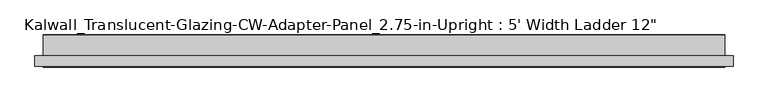
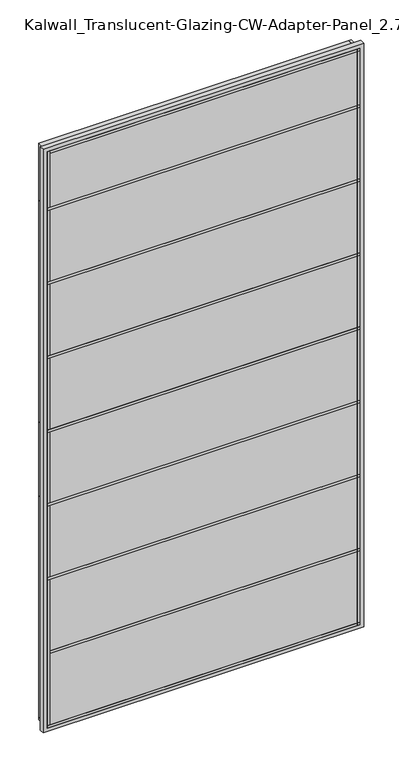
"""IFC4 building model written with IfcOpenShell, lengths in millimetres: plate geometry."""

import ifcopenshell
import ifcopenshell.guid

model = None  # the IFC model being written
_history = None  # IfcOwnerHistory: only IFC2X3 demands one
_inside = {}  # id of a spatial element -> (the spatial element, [elements in it])
_under = {}  # id of a project, library or spatial element -> (it, [spatial elements below it])
_declared = {}  # id of a project -> (the project, [libraries it declares])
_typed = {}  # id of a type object -> (the type object, [elements of that type])
_made_of = {}  # id of a material, layer set ... -> (it, [elements and type objects made of it])


def new_model(schema):
    """Start an empty IFC model of exactly this schema.

    Asked for "IFC4X3", IfcOpenShell would pick the latest addendum, in which some entities
    have other attributes; the version numbers below select the first issue.
    IFC2X3 requires an IfcOwnerHistory on every rooted entity: one is made here for all.
    """
    global model, _history
    if schema == "IFC4X3":
        model = ifcopenshell.file(schema_version=(4, 3, 0, 0))
    else:
        model = ifcopenshell.file(schema=schema)
    _inside.clear()
    _under.clear()
    _declared.clear()
    _typed.clear()
    _made_of.clear()
    _history = None
    if model.schema == "IFC2X3":
        org = make("IfcOrganization", Name="unknown")
        user = make(
            "IfcPersonAndOrganization",
            ThePerson=make("IfcPerson", FamilyName="unknown"),
            TheOrganization=org,
        )
        app = make(
            "IfcApplication",
            ApplicationDeveloper=org,
            Version="unknown",
            ApplicationFullName="unknown",
            ApplicationIdentifier="unknown",
        )
        _history = make(
            "IfcOwnerHistory",
            OwningUser=user,
            OwningApplication=app,
            ChangeAction="ADDED",
            CreationDate=0,
        )
    return model


def make(cls, **values):
    """One entity of the class cls with the attributes given. An attribute that is None is left unset."""
    return model.create_entity(
        cls, **{name: value for name, value in values.items() if value is not None}
    )


def rooted(cls, **values):
    """An entity with a GlobalId (a new one), such as an element, a storey or a relation."""
    return make(cls, GlobalId=ifcopenshell.guid.new(), OwnerHistory=_history, **values)


def si_unit(unit_type, name, prefix=None):
    """IfcSIUnit, for example si_unit("LENGTHUNIT", "METRE", prefix="MILLI")."""
    return make("IfcSIUnit", UnitType=unit_type, Prefix=prefix, Name=name)


def assignment(units):
    """IfcUnitAssignment: the units of a project."""
    return None if units is None else make("IfcUnitAssignment", Units=units)


def point(xyz):
    """IfcCartesianPoint."""
    return None if xyz is None else make("IfcCartesianPoint", Coordinates=xyz)


def direction(xyz):
    """IfcDirection."""
    return None if xyz is None else make("IfcDirection", DirectionRatios=xyz)


def frame(location, z_axis=None, x_axis=None):
    """IfcAxis2Placement3D, a coordinate frame: its origin and axes. An axis left out is left unset."""
    return make(
        "IfcAxis2Placement3D",
        Location=point(location),
        Axis=direction(z_axis),
        RefDirection=direction(x_axis),
    )


def origin():
    """The frame at (0, 0, 0) with its axes left unset."""
    return frame((0.0, 0.0, 0.0))


def origin_with_axes():
    """The frame at (0, 0, 0) with the z axis (0, 0, 1) and the x axis (1, 0, 0) written out."""
    return frame((0.0, 0.0, 0.0), z_axis=(0.0, 0.0, 1.0), x_axis=(1.0, 0.0, 0.0))


def place(relative_to, where):
    """IfcLocalPlacement: puts the frame where relative to a parent placement (None: the world)."""
    return make(
        "IfcLocalPlacement", PlacementRelTo=relative_to, RelativePlacement=where
    )


def context(
    kind, dimensions, precision=None, world=None, true_north=None, identifier=None
):
    """IfcGeometricRepresentationContext, for example the 3D "Model" context."""
    return make(
        "IfcGeometricRepresentationContext",
        ContextIdentifier=identifier,
        ContextType=kind,
        CoordinateSpaceDimension=dimensions,
        Precision=precision,
        WorldCoordinateSystem=world,
        TrueNorth=true_north,
    )


def project(units=None, contexts=None):
    """IfcProject with its units and contexts."""
    return rooted(
        "IfcProject",
        Name="project",
        RepresentationContexts=contexts,
        UnitsInContext=assignment(units),
    )


def spatial(cls, under=None, at=None, **own):
    """A site, building, storey or space (cls), placed at a placement, below another one or the project."""
    s = rooted(cls, ObjectPlacement=at, **own)
    if under is not None:
        _under.setdefault(under.id(), (under, []))[1].append(s)
    return s


def polyline(points):
    """IfcPolyline through the points."""
    return make("IfcPolyline", Points=[point(p) for p in points])


def outline(outer, holes=None, kind="AREA"):
    """IfcArbitraryClosedProfileDef: a profile drawn as a closed curve; with holes, ...WithVoids."""
    if holes is None:
        return make("IfcArbitraryClosedProfileDef", ProfileType=kind, OuterCurve=outer)
    return make(
        "IfcArbitraryProfileDefWithVoids",
        ProfileType=kind,
        OuterCurve=outer,
        InnerCurves=holes,
    )


def extrude(swept, where, along, depth):
    """IfcExtrudedAreaSolid: the profile swept, set in the frame where, extruded along a direction by depth."""
    return make(
        "IfcExtrudedAreaSolid",
        SweptArea=swept,
        Position=where,
        ExtrudedDirection=direction(along),
        Depth=depth,
    )


def shape(context_of_items, identifier, shape_type, items):
    """IfcShapeRepresentation: the items that make up one representation, for example the "Body"."""
    return make(
        "IfcShapeRepresentation",
        ContextOfItems=context_of_items,
        RepresentationIdentifier=identifier,
        RepresentationType=shape_type,
        Items=items,
    )


def source(mapping_origin, context_of_items, identifier, shape_type, items):
    """IfcRepresentationMap: a shape defined once, which mapped items show again and again."""
    return make(
        "IfcRepresentationMap",
        MappingOrigin=mapping_origin,
        MappedRepresentation=shape(context_of_items, identifier, shape_type, items),
    )


def transform(
    local_origin,
    x_axis=None,
    y_axis=None,
    z_axis=None,
    scale=None,
    scale2=None,
    scale3=None,
    uniform=True,
):
    """IfcCartesianTransformationOperator3D, or its non-uniform kind. x_axis, y_axis, z_axis: its Axis1, 2, 3."""
    if uniform:
        return make(
            "IfcCartesianTransformationOperator3D",
            Axis1=direction(x_axis),
            Axis2=direction(y_axis),
            LocalOrigin=point(local_origin),
            Scale=scale,
            Axis3=direction(z_axis),
        )
    return make(
        "IfcCartesianTransformationOperator3DnonUniform",
        Axis1=direction(x_axis),
        Axis2=direction(y_axis),
        LocalOrigin=point(local_origin),
        Scale=scale,
        Axis3=direction(z_axis),
        Scale2=scale2,
        Scale3=scale3,
    )


def mapped(mapping_source, mapping_target):
    """IfcMappedItem: shows the shape of a source again, moved by a transform."""
    return make(
        "IfcMappedItem", MappingSource=mapping_source, MappingTarget=mapping_target
    )


def made_of(thing, what):
    """Note that an element or type object is made of a material, layer set ...; save() writes the relation."""
    if what is not None:
        _made_of.setdefault(what.id(), (what, []))[1].append(thing)
    return thing


def element(
    cls,
    number,
    at=None,
    inside=None,
    cuts=None,
    type_object=None,
    material=None,
    context=None,
    identifier="Body",
    shape_type=None,
    held_by="IfcProductDefinitionShape",
    body=None,
    shapes=None,
    **own,
):
    """One element of the class cls, such as IfcWall. Its Tag is "e" and its number.

    at: its placement. inside: the storey or other place that contains it. cuts: it is an
    opening in that element (IfcRelVoidsElement). A single representation is given by context,
    identifier, shape_type and body (its items); several are given by shapes. held_by: the class
    of the entity that holds the representations. save() writes the other relations.
    """
    e = rooted(cls, Tag="e%d" % number, ObjectPlacement=at, **own)
    if body is not None:
        shapes = [shape(context, identifier, shape_type, body)]
    if shapes is not None:
        e.Representation = make(held_by, Representations=shapes)
    if inside is not None:
        _inside.setdefault(inside.id(), (inside, []))[1].append(e)
    if cuts is not None:
        rooted(
            "IfcRelVoidsElement", RelatingBuildingElement=cuts, RelatedOpeningElement=e
        )
    if type_object is not None:
        _typed.setdefault(type_object.id(), (type_object, []))[1].append(e)
    return made_of(e, material)


def aggregate(whole, parts):
    """IfcRelAggregates: a whole, such as a stair, and the parts it consists of."""
    return rooted("IfcRelAggregates", RelatingObject=whole, RelatedObjects=parts)


def save(model, path):
    """Write the relations noted so far, then the file.

    IfcRelAggregates (storeys below a building ...), IfcRelContainedInSpatialStructure (elements
    in a storey), IfcRelDefinesByType, IfcRelAssociatesMaterial and IfcRelDeclares: one each for
    every whole, place, type object, material and project.
    """
    for whole, parts in _under.values():
        aggregate(whole, parts)
    for where, things in _inside.values():
        rooted(
            "IfcRelContainedInSpatialStructure",
            RelatedElements=things,
            RelatingStructure=where,
        )
    for kind, things in _typed.values():
        rooted("IfcRelDefinesByType", RelatedObjects=things, RelatingType=kind)
    for what, things in _made_of.values():
        rooted("IfcRelAssociatesMaterial", RelatedObjects=things, RelatingMaterial=what)
    for by, libraries in _declared.values():
        rooted("IfcRelDeclares", RelatingContext=by, RelatedDefinitions=libraries)
    model.write(path)


def plate_daaf2538(model_context):
    return source(origin(), model_context, "Body", "SweptSolid", [
        extrude(outline(polyline([(762.0, 34.925), (762.0, -34.925), (-762.0, -34.925), (-762.0, 34.925), (762.0, 34.925)])), origin_with_axes(), (0.0, 0.0, 1.0), 2971.8),
        extrude(outline(polyline([(762.0, 35.71875), (762.0, -35.71875), (-762.0, -35.71875), (-762.0, 35.71875), (762.0, 35.71875)])), frame((0.0, 0.0, 2667.0), z_axis=(0.0, 0.0, 1.0), x_axis=(1.0, 0.0, 0.0)), (0.0, 0.0, 1.0), 12.7),
        extrude(outline(polyline([(762.0, 35.71875), (762.0, -35.71875), (-762.0, -35.71875), (-762.0, 35.71875), (762.0, 35.71875)])), frame((0.0, 0.0, 2286.0), z_axis=(0.0, 0.0, 1.0), x_axis=(1.0, 0.0, 0.0)), (0.0, 0.0, 1.0), 12.7),
        extrude(outline(polyline([(762.0, 35.71875), (762.0, -35.71875), (-762.0, -35.71875), (-762.0, 35.71875), (762.0, 35.71875)])), frame((0.0, 0.0, 1905.0), z_axis=(0.0, 0.0, 1.0), x_axis=(1.0, 0.0, 0.0)), (0.0, 0.0, 1.0), 12.7),
        extrude(outline(polyline([(762.0, 35.71875), (762.0, -35.71875), (-762.0, -35.71875), (-762.0, 35.71875), (762.0, 35.71875)])), frame((0.0, 0.0, 1524.0), z_axis=(0.0, 0.0, 1.0), x_axis=(1.0, 0.0, 0.0)), (0.0, 0.0, 1.0), 12.7),
        extrude(outline(polyline([(762.0, 35.71875), (762.0, -35.71875), (-762.0, -35.71875), (-762.0, 35.71875), (762.0, 35.71875)])), frame((0.0, 0.0, 1143.0), z_axis=(0.0, 0.0, 1.0), x_axis=(1.0, 0.0, 0.0)), (0.0, 0.0, 1.0), 12.7),
        extrude(outline(polyline([(762.0, 35.71875), (762.0, -35.71875), (-762.0, -35.71875), (-762.0, 35.71875), (762.0, 35.71875)])), frame((0.0, 0.0, 762.0), z_axis=(0.0, 0.0, 1.0), x_axis=(1.0, 0.0, 0.0)), (0.0, 0.0, 1.0), 12.7),
        extrude(outline(polyline([(762.0, 35.71875), (762.0, -35.71875), (-762.0, -35.71875), (-762.0, 35.71875), (762.0, 35.71875)])), origin_with_axes(), (0.0, 0.0, 1.0), 12.7),
        extrude(outline(polyline([(-749.3, 35.71875), (-749.3, -35.71875), (-762.0, -35.71875), (-762.0, 35.71875), (-749.3, 35.71875)])), origin_with_axes(), (0.0, 0.0, 1.0), 2971.8),
        extrude(outline(polyline([(762.0, 35.71875), (762.0, -35.71875), (-762.0, -35.71875), (-762.0, 35.71875), (762.0, 35.71875)])), frame((0.0, 0.0, 2959.1), z_axis=(0.0, 0.0, 1.0), x_axis=(1.0, 0.0, 0.0)), (0.0, 0.0, 1.0), 12.7),
        extrude(outline(polyline([(762.0, 35.71875), (762.0, -35.71875), (-762.0, -35.71875), (-762.0, 35.71875), (762.0, 35.71875)])), frame((0.0, 0.0, 381.0), z_axis=(0.0, 0.0, 1.0), x_axis=(1.0, 0.0, 0.0)), (0.0, 0.0, 1.0), 12.7),
        extrude(outline(polyline([(762.0, 35.71875), (762.0, -35.71875), (-762.0, -35.71875), (-762.0, 35.71875), (762.0, 35.71875)])), origin_with_axes(), (0.0, 0.0, 1.0), 12.7),
        extrude(outline(polyline([(762.0, 35.71875), (762.0, -35.71875), (749.3, -35.71875), (749.3, 35.71875), (762.0, 35.71875)])), origin_with_axes(), (0.0, 0.0, 1.0), 2971.8),
        extrude(outline(polyline([(-19.05, -781.05), (-19.05, 781.05), (2990.85, 781.05), (2990.85, -781.05), (-19.05, -781.05)]), holes=[polyline([(2971.8, -762.0), (2971.8, 762.0), (0.0, 762.0), (0.0, -762.0), (2971.8, -762.0)])]), frame((0.0, -34.925, 0.0), z_axis=(0.0, 1.0, 0.0), x_axis=(0.0, 0.0, 1.0)), (0.0, 0.0, 1.0), 23.6140625),
    ])


if __name__ == "__main__":
    model = new_model("IFC4")
    model_context = context("Model", 3, world=origin())
    ifc_project = project(units=[si_unit("LENGTHUNIT", "METRE", prefix="MILLI")], contexts=[model_context])
    site = spatial("IfcSite", under=ifc_project)
    building = spatial("IfcBuilding", under=site)
    placement = place(None, origin())
    plate_shape = plate_daaf2538(model_context)
    element("IfcPlate", 1, ObjectType="Kalwall_Translucent-Glazing-CW-Adapter-Panel_2.75-in-Upright : 5' Width Ladder 12\"", at=placement, inside=building, context=model_context, shape_type="MappedRepresentation", body=[
        mapped(plate_shape, transform((0.0, 0.0, 0.0), x_axis=(1.0, 0.0, 0.0), y_axis=(0.0, 1.0, 0.0), z_axis=(0.0, 0.0, 1.0))),
    ])
    save(model, "model.ifc")
